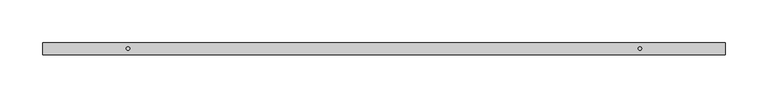
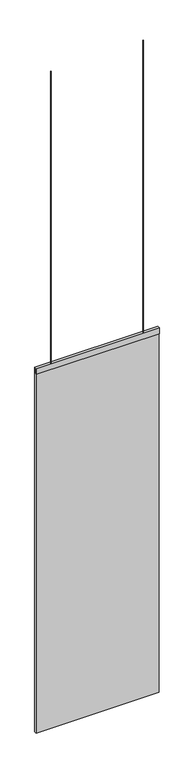
"""IFC4 building model written with IfcOpenShell, lengths in millimetres: furniture geometry."""

from ifc_helpers import new_model, si_unit, point, frame, frame_2d, origin, origin_with_axes, place, context, project, spatial, polyline, circle_curve, trimmed, segment, composite_curve, outline, extrude, source, transform, mapped, element, save


def furniture_fbcaab11(model_context):
    return source(origin(), model_context, "Body", "SweptSolid", [
        extrude(outline(composite_curve([segment(trimmed(circle_curve(frame_2d((520.5212419, 44.45)), 2.0), [point((518.5212419, 44.45))], [point((522.5212419, 44.45))], False, "CARTESIAN"), True, "CONTINUOUS"), segment(trimmed(circle_curve(frame_2d((520.5212419, 44.45)), 2.0), [point((522.5212419, 44.45))], [point((518.5212419, 44.45))], False, "CARTESIAN"), True, "CONTINUOUS")], self_intersect=False)), frame((0.0, 0.0, 2499.0754691), z_axis=(0.0, 0.0, 1.0), x_axis=(1.0, 0.0, 0.0)), (0.0, 0.0, 1.0), 2000.2964059),
        extrude(outline(composite_curve([segment(trimmed(circle_curve(frame_2d((1120.5240017, 44.45)), 2.0), [point((1118.5240017, 44.45))], [point((1122.5240017, 44.45))], False, "CARTESIAN"), True, "CONTINUOUS"), segment(trimmed(circle_curve(frame_2d((1120.5240017, 44.45)), 2.0), [point((1122.5240017, 44.45))], [point((1118.5240017, 44.45))], False, "CARTESIAN"), True, "CONTINUOUS")], self_intersect=False)), frame((0.0, 0.0, 2499.0754691), z_axis=(0.0, 0.0, 1.0), x_axis=(1.0, 0.0, 0.0)), (0.0, 0.0, 1.0), 2000.2964059),
        extrude(outline(polyline([(50.45, 2459.9289107), (50.45, 2499.0754691), (38.45, 2499.0754691), (38.45, 2460.037625), (37.4499997, 2460.037625), (37.4499997, 2499.915625), (51.4500003, 2499.915625), (51.4500003, 2459.9289107), (50.45, 2459.9289107)])), frame((420.5244133, 0.0, 0.0), z_axis=(1.0, 0.0, 0.0), x_axis=(0.0, 1.0, 0.0)), (0.0, 0.0, 1.0), 800.1),
        extrude(outline(polyline([(1220.6244133, 50.45), (1220.6244133, 38.45), (420.5244133, 38.45), (420.5244133, 50.45), (1220.6244133, 50.45)])), origin_with_axes(), (0.0, 0.0, 1.0), 2499.0754691),
    ])


if __name__ == "__main__":
    model = new_model("IFC4")
    model_context = context("Model", 3, world=origin())
    ifc_project = project(units=[si_unit("LENGTHUNIT", "METRE", prefix="MILLI")], contexts=[model_context])
    site = spatial("IfcSite", under=ifc_project)
    building = spatial("IfcBuilding", under=site)
    placement = place(None, origin())
    furniture_shape = furniture_fbcaab11(model_context)
    element("IfcFurniture", 1, at=placement, inside=building, context=model_context, shape_type="MappedRepresentation", body=[
        mapped(furniture_shape, transform((0.0, 0.0, 0.0), x_axis=(1.0, 0.0, 0.0), y_axis=(0.0, 1.0, 0.0), z_axis=(0.0, 0.0, 1.0))),
    ])
    save(model, "model.ifc")
